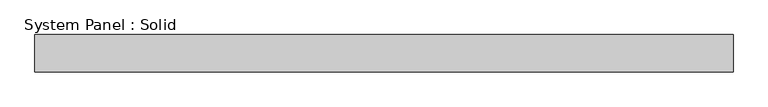
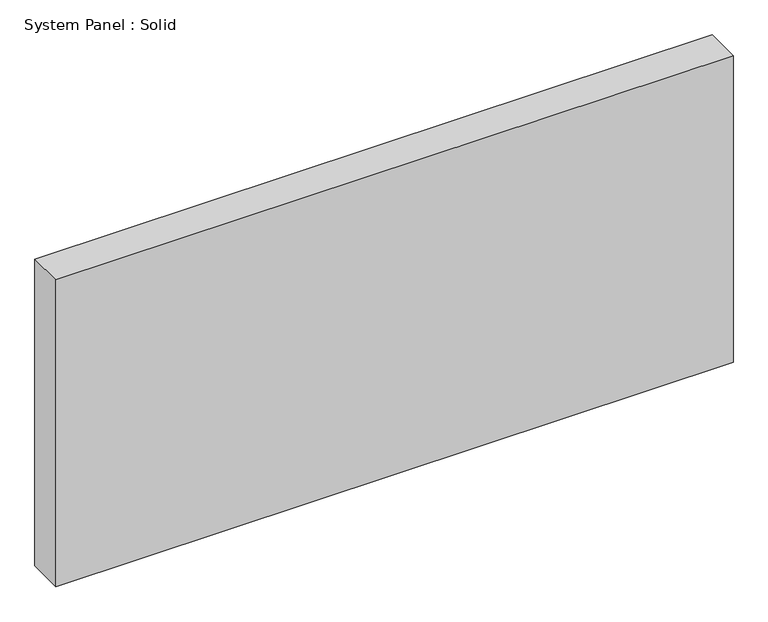
"""IFC4 building model written with IfcOpenShell, lengths in millimetres: plate geometry, System Panel : Solid."""

import ifcopenshell
import ifcopenshell.guid

model = None  # the IFC model being written
_history = None  # IfcOwnerHistory: only IFC2X3 demands one
_inside = {}  # id of a spatial element -> (the spatial element, [elements in it])
_under = {}  # id of a project, library or spatial element -> (it, [spatial elements below it])
_declared = {}  # id of a project -> (the project, [libraries it declares])
_typed = {}  # id of a type object -> (the type object, [elements of that type])
_made_of = {}  # id of a material, layer set ... -> (it, [elements and type objects made of it])


def new_model(schema):
    """Start an empty IFC model of exactly this schema.

    Asked for "IFC4X3", IfcOpenShell would pick the latest addendum, in which some entities
    have other attributes; the version numbers below select the first issue.
    IFC2X3 requires an IfcOwnerHistory on every rooted entity: one is made here for all.
    """
    global model, _history
    if schema == "IFC4X3":
        model = ifcopenshell.file(schema_version=(4, 3, 0, 0))
    else:
        model = ifcopenshell.file(schema=schema)
    _inside.clear()
    _under.clear()
    _declared.clear()
    _typed.clear()
    _made_of.clear()
    _history = None
    if model.schema == "IFC2X3":
        org = make("IfcOrganization", Name="unknown")
        user = make(
            "IfcPersonAndOrganization",
            ThePerson=make("IfcPerson", FamilyName="unknown"),
            TheOrganization=org,
        )
        app = make(
            "IfcApplication",
            ApplicationDeveloper=org,
            Version="unknown",
            ApplicationFullName="unknown",
            ApplicationIdentifier="unknown",
        )
        _history = make(
            "IfcOwnerHistory",
            OwningUser=user,
            OwningApplication=app,
            ChangeAction="ADDED",
            CreationDate=0,
        )
    return model


def make(cls, **values):
    """One entity of the class cls with the attributes given. An attribute that is None is left unset."""
    return model.create_entity(
        cls, **{name: value for name, value in values.items() if value is not None}
    )


def rooted(cls, **values):
    """An entity with a GlobalId (a new one), such as an element, a storey or a relation."""
    return make(cls, GlobalId=ifcopenshell.guid.new(), OwnerHistory=_history, **values)


def si_unit(unit_type, name, prefix=None):
    """IfcSIUnit, for example si_unit("LENGTHUNIT", "METRE", prefix="MILLI")."""
    return make("IfcSIUnit", UnitType=unit_type, Prefix=prefix, Name=name)


def assignment(units):
    """IfcUnitAssignment: the units of a project."""
    return None if units is None else make("IfcUnitAssignment", Units=units)


def point(xyz):
    """IfcCartesianPoint."""
    return None if xyz is None else make("IfcCartesianPoint", Coordinates=xyz)


def direction(xyz):
    """IfcDirection."""
    return None if xyz is None else make("IfcDirection", DirectionRatios=xyz)


def frame(location, z_axis=None, x_axis=None):
    """IfcAxis2Placement3D, a coordinate frame: its origin and axes. An axis left out is left unset."""
    return make(
        "IfcAxis2Placement3D",
        Location=point(location),
        Axis=direction(z_axis),
        RefDirection=direction(x_axis),
    )


def origin():
    """The frame at (0, 0, 0) with its axes left unset."""
    return frame((0.0, 0.0, 0.0))


def origin_with_axes():
    """The frame at (0, 0, 0) with the z axis (0, 0, 1) and the x axis (1, 0, 0) written out."""
    return frame((0.0, 0.0, 0.0), z_axis=(0.0, 0.0, 1.0), x_axis=(1.0, 0.0, 0.0))


def place(relative_to, where):
    """IfcLocalPlacement: puts the frame where relative to a parent placement (None: the world)."""
    return make(
        "IfcLocalPlacement", PlacementRelTo=relative_to, RelativePlacement=where
    )


def context(
    kind, dimensions, precision=None, world=None, true_north=None, identifier=None
):
    """IfcGeometricRepresentationContext, for example the 3D "Model" context."""
    return make(
        "IfcGeometricRepresentationContext",
        ContextIdentifier=identifier,
        ContextType=kind,
        CoordinateSpaceDimension=dimensions,
        Precision=precision,
        WorldCoordinateSystem=world,
        TrueNorth=true_north,
    )


def project(units=None, contexts=None):
    """IfcProject with its units and contexts."""
    return rooted(
        "IfcProject",
        Name="project",
        RepresentationContexts=contexts,
        UnitsInContext=assignment(units),
    )


def spatial(cls, under=None, at=None, **own):
    """A site, building, storey or space (cls), placed at a placement, below another one or the project."""
    s = rooted(cls, ObjectPlacement=at, **own)
    if under is not None:
        _under.setdefault(under.id(), (under, []))[1].append(s)
    return s


def polyline(points):
    """IfcPolyline through the points."""
    return make("IfcPolyline", Points=[point(p) for p in points])


def outline(outer, holes=None, kind="AREA"):
    """IfcArbitraryClosedProfileDef: a profile drawn as a closed curve; with holes, ...WithVoids."""
    if holes is None:
        return make("IfcArbitraryClosedProfileDef", ProfileType=kind, OuterCurve=outer)
    return make(
        "IfcArbitraryProfileDefWithVoids",
        ProfileType=kind,
        OuterCurve=outer,
        InnerCurves=holes,
    )


def extrude(swept, where, along, depth):
    """IfcExtrudedAreaSolid: the profile swept, set in the frame where, extruded along a direction by depth."""
    return make(
        "IfcExtrudedAreaSolid",
        SweptArea=swept,
        Position=where,
        ExtrudedDirection=direction(along),
        Depth=depth,
    )


def shape(context_of_items, identifier, shape_type, items):
    """IfcShapeRepresentation: the items that make up one representation, for example the "Body"."""
    return make(
        "IfcShapeRepresentation",
        ContextOfItems=context_of_items,
        RepresentationIdentifier=identifier,
        RepresentationType=shape_type,
        Items=items,
    )


def source(mapping_origin, context_of_items, identifier, shape_type, items):
    """IfcRepresentationMap: a shape defined once, which mapped items show again and again."""
    return make(
        "IfcRepresentationMap",
        MappingOrigin=mapping_origin,
        MappedRepresentation=shape(context_of_items, identifier, shape_type, items),
    )


def transform(
    local_origin,
    x_axis=None,
    y_axis=None,
    z_axis=None,
    scale=None,
    scale2=None,
    scale3=None,
    uniform=True,
):
    """IfcCartesianTransformationOperator3D, or its non-uniform kind. x_axis, y_axis, z_axis: its Axis1, 2, 3."""
    if uniform:
        return make(
            "IfcCartesianTransformationOperator3D",
            Axis1=direction(x_axis),
            Axis2=direction(y_axis),
            LocalOrigin=point(local_origin),
            Scale=scale,
            Axis3=direction(z_axis),
        )
    return make(
        "IfcCartesianTransformationOperator3DnonUniform",
        Axis1=direction(x_axis),
        Axis2=direction(y_axis),
        LocalOrigin=point(local_origin),
        Scale=scale,
        Axis3=direction(z_axis),
        Scale2=scale2,
        Scale3=scale3,
    )


def mapped(mapping_source, mapping_target):
    """IfcMappedItem: shows the shape of a source again, moved by a transform."""
    return make(
        "IfcMappedItem", MappingSource=mapping_source, MappingTarget=mapping_target
    )


def made_of(thing, what):
    """Note that an element or type object is made of a material, layer set ...; save() writes the relation."""
    if what is not None:
        _made_of.setdefault(what.id(), (what, []))[1].append(thing)
    return thing


def element(
    cls,
    number,
    at=None,
    inside=None,
    cuts=None,
    type_object=None,
    material=None,
    context=None,
    identifier="Body",
    shape_type=None,
    held_by="IfcProductDefinitionShape",
    body=None,
    shapes=None,
    **own,
):
    """One element of the class cls, such as IfcWall. Its Tag is "e" and its number.

    at: its placement. inside: the storey or other place that contains it. cuts: it is an
    opening in that element (IfcRelVoidsElement). A single representation is given by context,
    identifier, shape_type and body (its items); several are given by shapes. held_by: the class
    of the entity that holds the representations. save() writes the other relations.
    """
    e = rooted(cls, Tag="e%d" % number, ObjectPlacement=at, **own)
    if body is not None:
        shapes = [shape(context, identifier, shape_type, body)]
    if shapes is not None:
        e.Representation = make(held_by, Representations=shapes)
    if inside is not None:
        _inside.setdefault(inside.id(), (inside, []))[1].append(e)
    if cuts is not None:
        rooted(
            "IfcRelVoidsElement", RelatingBuildingElement=cuts, RelatedOpeningElement=e
        )
    if type_object is not None:
        _typed.setdefault(type_object.id(), (type_object, []))[1].append(e)
    return made_of(e, material)


def aggregate(whole, parts):
    """IfcRelAggregates: a whole, such as a stair, and the parts it consists of."""
    return rooted("IfcRelAggregates", RelatingObject=whole, RelatedObjects=parts)


def save(model, path):
    """Write the relations noted so far, then the file.

    IfcRelAggregates (storeys below a building ...), IfcRelContainedInSpatialStructure (elements
    in a storey), IfcRelDefinesByType, IfcRelAssociatesMaterial and IfcRelDeclares: one each for
    every whole, place, type object, material and project.
    """
    for whole, parts in _under.values():
        aggregate(whole, parts)
    for where, things in _inside.values():
        rooted(
            "IfcRelContainedInSpatialStructure",
            RelatedElements=things,
            RelatingStructure=where,
        )
    for kind, things in _typed.values():
        rooted("IfcRelDefinesByType", RelatedObjects=things, RelatingType=kind)
    for what, things in _made_of.values():
        rooted("IfcRelAssociatesMaterial", RelatedObjects=things, RelatingMaterial=what)
    for by, libraries in _declared.values():
        rooted("IfcRelDeclares", RelatingContext=by, RelatedDefinitions=libraries)
    model.write(path)


def system_panel_solid_65092244(model_context):
    return source(origin(), model_context, "Body", "SweptSolid", [
        extrude(outline(polyline([(596.9, -19.05), (-596.9, -19.05), (-596.9, 44.45), (596.9, 44.45), (596.9, -19.05)])), origin_with_axes(), (0.0, 0.0, 1.0), 571.5),
    ])


if __name__ == "__main__":
    model = new_model("IFC4")
    model_context = context("Model", 3, world=origin())
    ifc_project = project(units=[si_unit("LENGTHUNIT", "METRE", prefix="MILLI")], contexts=[model_context])
    site = spatial("IfcSite", under=ifc_project)
    building = spatial("IfcBuilding", under=site)
    placement = place(None, origin())
    system_panel_solid_shape = system_panel_solid_65092244(model_context)
    element("IfcPlate", 1, ObjectType="System Panel : Solid", at=placement, inside=building, context=model_context, shape_type="MappedRepresentation", body=[
        mapped(system_panel_solid_shape, transform((0.0, 0.0, 0.0), x_axis=(1.0, 0.0, 0.0), y_axis=(0.0, 1.0, 0.0), z_axis=(0.0, 0.0, 1.0))),
    ])
    save(model, "model.ifc")
